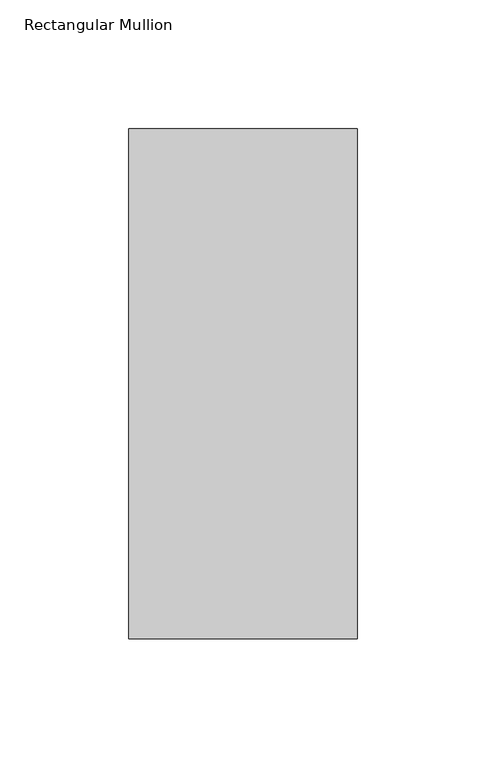
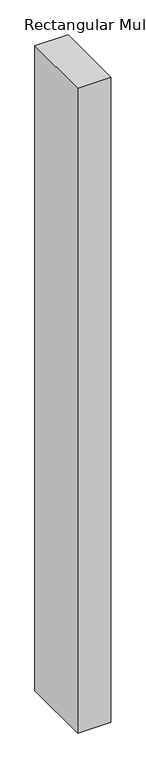
"""IFC4 building model written with IfcOpenShell, lengths in millimetres: member geometry, Rectangular Mullion."""

import ifcopenshell
import ifcopenshell.guid

model = None  # the IFC model being written
_history = None  # IfcOwnerHistory: only IFC2X3 demands one
_inside = {}  # id of a spatial element -> (the spatial element, [elements in it])
_under = {}  # id of a project, library or spatial element -> (it, [spatial elements below it])
_declared = {}  # id of a project -> (the project, [libraries it declares])
_typed = {}  # id of a type object -> (the type object, [elements of that type])
_made_of = {}  # id of a material, layer set ... -> (it, [elements and type objects made of it])


def new_model(schema):
    """Start an empty IFC model of exactly this schema.

    Asked for "IFC4X3", IfcOpenShell would pick the latest addendum, in which some entities
    have other attributes; the version numbers below select the first issue.
    IFC2X3 requires an IfcOwnerHistory on every rooted entity: one is made here for all.
    """
    global model, _history
    if schema == "IFC4X3":
        model = ifcopenshell.file(schema_version=(4, 3, 0, 0))
    else:
        model = ifcopenshell.file(schema=schema)
    _inside.clear()
    _under.clear()
    _declared.clear()
    _typed.clear()
    _made_of.clear()
    _history = None
    if model.schema == "IFC2X3":
        org = make("IfcOrganization", Name="unknown")
        user = make(
            "IfcPersonAndOrganization",
            ThePerson=make("IfcPerson", FamilyName="unknown"),
            TheOrganization=org,
        )
        app = make(
            "IfcApplication",
            ApplicationDeveloper=org,
            Version="unknown",
            ApplicationFullName="unknown",
            ApplicationIdentifier="unknown",
        )
        _history = make(
            "IfcOwnerHistory",
            OwningUser=user,
            OwningApplication=app,
            ChangeAction="ADDED",
            CreationDate=0,
        )
    return model


def make(cls, **values):
    """One entity of the class cls with the attributes given. An attribute that is None is left unset."""
    return model.create_entity(
        cls, **{name: value for name, value in values.items() if value is not None}
    )


def rooted(cls, **values):
    """An entity with a GlobalId (a new one), such as an element, a storey or a relation."""
    return make(cls, GlobalId=ifcopenshell.guid.new(), OwnerHistory=_history, **values)


def si_unit(unit_type, name, prefix=None):
    """IfcSIUnit, for example si_unit("LENGTHUNIT", "METRE", prefix="MILLI")."""
    return make("IfcSIUnit", UnitType=unit_type, Prefix=prefix, Name=name)


def assignment(units):
    """IfcUnitAssignment: the units of a project."""
    return None if units is None else make("IfcUnitAssignment", Units=units)


def point(xyz):
    """IfcCartesianPoint."""
    return None if xyz is None else make("IfcCartesianPoint", Coordinates=xyz)


def direction(xyz):
    """IfcDirection."""
    return None if xyz is None else make("IfcDirection", DirectionRatios=xyz)


def frame(location, z_axis=None, x_axis=None):
    """IfcAxis2Placement3D, a coordinate frame: its origin and axes. An axis left out is left unset."""
    return make(
        "IfcAxis2Placement3D",
        Location=point(location),
        Axis=direction(z_axis),
        RefDirection=direction(x_axis),
    )


def origin():
    """The frame at (0, 0, 0) with its axes left unset."""
    return frame((0.0, 0.0, 0.0))


def place(relative_to, where):
    """IfcLocalPlacement: puts the frame where relative to a parent placement (None: the world)."""
    return make(
        "IfcLocalPlacement", PlacementRelTo=relative_to, RelativePlacement=where
    )


def context(
    kind, dimensions, precision=None, world=None, true_north=None, identifier=None
):
    """IfcGeometricRepresentationContext, for example the 3D "Model" context."""
    return make(
        "IfcGeometricRepresentationContext",
        ContextIdentifier=identifier,
        ContextType=kind,
        CoordinateSpaceDimension=dimensions,
        Precision=precision,
        WorldCoordinateSystem=world,
        TrueNorth=true_north,
    )


def project(units=None, contexts=None):
    """IfcProject with its units and contexts."""
    return rooted(
        "IfcProject",
        Name="project",
        RepresentationContexts=contexts,
        UnitsInContext=assignment(units),
    )


def spatial(cls, under=None, at=None, **own):
    """A site, building, storey or space (cls), placed at a placement, below another one or the project."""
    s = rooted(cls, ObjectPlacement=at, **own)
    if under is not None:
        _under.setdefault(under.id(), (under, []))[1].append(s)
    return s


def polyline(points):
    """IfcPolyline through the points."""
    return make("IfcPolyline", Points=[point(p) for p in points])


def outline(outer, holes=None, kind="AREA"):
    """IfcArbitraryClosedProfileDef: a profile drawn as a closed curve; with holes, ...WithVoids."""
    if holes is None:
        return make("IfcArbitraryClosedProfileDef", ProfileType=kind, OuterCurve=outer)
    return make(
        "IfcArbitraryProfileDefWithVoids",
        ProfileType=kind,
        OuterCurve=outer,
        InnerCurves=holes,
    )


def extrude(swept, where, along, depth):
    """IfcExtrudedAreaSolid: the profile swept, set in the frame where, extruded along a direction by depth."""
    return make(
        "IfcExtrudedAreaSolid",
        SweptArea=swept,
        Position=where,
        ExtrudedDirection=direction(along),
        Depth=depth,
    )


def shape(context_of_items, identifier, shape_type, items):
    """IfcShapeRepresentation: the items that make up one representation, for example the "Body"."""
    return make(
        "IfcShapeRepresentation",
        ContextOfItems=context_of_items,
        RepresentationIdentifier=identifier,
        RepresentationType=shape_type,
        Items=items,
    )


def source(mapping_origin, context_of_items, identifier, shape_type, items):
    """IfcRepresentationMap: a shape defined once, which mapped items show again and again."""
    return make(
        "IfcRepresentationMap",
        MappingOrigin=mapping_origin,
        MappedRepresentation=shape(context_of_items, identifier, shape_type, items),
    )


def transform(
    local_origin,
    x_axis=None,
    y_axis=None,
    z_axis=None,
    scale=None,
    scale2=None,
    scale3=None,
    uniform=True,
):
    """IfcCartesianTransformationOperator3D, or its non-uniform kind. x_axis, y_axis, z_axis: its Axis1, 2, 3."""
    if uniform:
        return make(
            "IfcCartesianTransformationOperator3D",
            Axis1=direction(x_axis),
            Axis2=direction(y_axis),
            LocalOrigin=point(local_origin),
            Scale=scale,
            Axis3=direction(z_axis),
        )
    return make(
        "IfcCartesianTransformationOperator3DnonUniform",
        Axis1=direction(x_axis),
        Axis2=direction(y_axis),
        LocalOrigin=point(local_origin),
        Scale=scale,
        Axis3=direction(z_axis),
        Scale2=scale2,
        Scale3=scale3,
    )


def mapped(mapping_source, mapping_target):
    """IfcMappedItem: shows the shape of a source again, moved by a transform."""
    return make(
        "IfcMappedItem", MappingSource=mapping_source, MappingTarget=mapping_target
    )


def made_of(thing, what):
    """Note that an element or type object is made of a material, layer set ...; save() writes the relation."""
    if what is not None:
        _made_of.setdefault(what.id(), (what, []))[1].append(thing)
    return thing


def element(
    cls,
    number,
    at=None,
    inside=None,
    cuts=None,
    type_object=None,
    material=None,
    context=None,
    identifier="Body",
    shape_type=None,
    held_by="IfcProductDefinitionShape",
    body=None,
    shapes=None,
    **own,
):
    """One element of the class cls, such as IfcWall. Its Tag is "e" and its number.

    at: its placement. inside: the storey or other place that contains it. cuts: it is an
    opening in that element (IfcRelVoidsElement). A single representation is given by context,
    identifier, shape_type and body (its items); several are given by shapes. held_by: the class
    of the entity that holds the representations. save() writes the other relations.
    """
    e = rooted(cls, Tag="e%d" % number, ObjectPlacement=at, **own)
    if body is not None:
        shapes = [shape(context, identifier, shape_type, body)]
    if shapes is not None:
        e.Representation = make(held_by, Representations=shapes)
    if inside is not None:
        _inside.setdefault(inside.id(), (inside, []))[1].append(e)
    if cuts is not None:
        rooted(
            "IfcRelVoidsElement", RelatingBuildingElement=cuts, RelatedOpeningElement=e
        )
    if type_object is not None:
        _typed.setdefault(type_object.id(), (type_object, []))[1].append(e)
    return made_of(e, material)


def aggregate(whole, parts):
    """IfcRelAggregates: a whole, such as a stair, and the parts it consists of."""
    return rooted("IfcRelAggregates", RelatingObject=whole, RelatedObjects=parts)


def save(model, path):
    """Write the relations noted so far, then the file.

    IfcRelAggregates (storeys below a building ...), IfcRelContainedInSpatialStructure (elements
    in a storey), IfcRelDefinesByType, IfcRelAssociatesMaterial and IfcRelDeclares: one each for
    every whole, place, type object, material and project.
    """
    for whole, parts in _under.values():
        aggregate(whole, parts)
    for where, things in _inside.values():
        rooted(
            "IfcRelContainedInSpatialStructure",
            RelatedElements=things,
            RelatingStructure=where,
        )
    for kind, things in _typed.values():
        rooted("IfcRelDefinesByType", RelatedObjects=things, RelatingType=kind)
    for what, things in _made_of.values():
        rooted("IfcRelAssociatesMaterial", RelatedObjects=things, RelatingMaterial=what)
    for by, libraries in _declared.values():
        rooted("IfcRelDeclares", RelatingContext=by, RelatedDefinitions=libraries)
    model.write(path)


def rectangular_mullion_4dd9e928(model_context):
    return source(origin(), model_context, "Body", "SweptSolid", [
        extrude(outline(polyline([(-88.9, 42.06875), (0.0, 42.06875), (0.0, -156.36875), (-88.9, -156.36875), (-88.9, 42.06875)])), frame((0.0, 0.0, -1828.8), z_axis=(0.0, 0.0, 1.0), x_axis=(1.0, 0.0, 0.0)), (0.0, 0.0, 1.0), 1828.8),
    ])


if __name__ == "__main__":
    model = new_model("IFC4")
    model_context = context("Model", 3, world=origin())
    ifc_project = project(units=[si_unit("LENGTHUNIT", "METRE", prefix="MILLI")], contexts=[model_context])
    site = spatial("IfcSite", under=ifc_project)
    building = spatial("IfcBuilding", under=site)
    placement = place(None, origin())
    rectangular_mullion_shape = rectangular_mullion_4dd9e928(model_context)
    element("IfcMember", 1, ObjectType="Rectangular Mullion", at=placement, inside=building, context=model_context, shape_type="MappedRepresentation", body=[
        mapped(rectangular_mullion_shape, transform((0.0, 0.0, 0.0), x_axis=(1.0, 0.0, 0.0), y_axis=(0.0, 1.0, 0.0), z_axis=(0.0, 0.0, 1.0))),
    ])
    save(model, "model.ifc")
